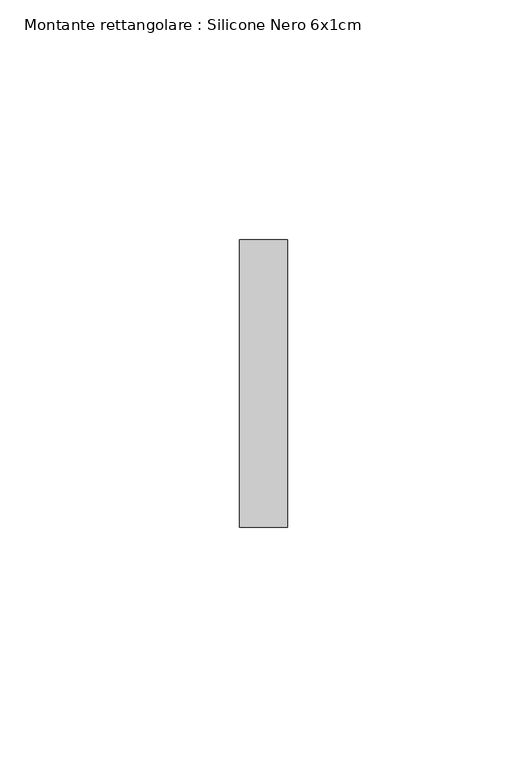
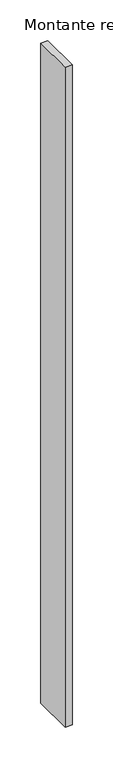
"""IFC4 building model written with IfcOpenShell, lengths in millimetres: member geometry, Montante rettangolare : Silicone Nero 6x1cm."""

from ifc_helpers import new_model, si_unit, frame, origin, place, context, project, spatial, polyline, outline, extrude, source, transform, mapped, element, save


def montante_rettangolare_silicone_nero_6x1cm_8a400313(model_context):
    return source(origin(), model_context, "Body", "SweptSolid", [
        extrude(outline(polyline([(5.0, 60.0), (5.0, 0.0), (-5.0, 0.0), (-5.0, 60.0), (5.0, 60.0)])), frame((0.0, 0.0, -990.0), z_axis=(0.0, 0.0, 1.0), x_axis=(1.0, 0.0, 0.0)), (0.0, 0.0, 1.0), 990.0),
    ])


if __name__ == "__main__":
    model = new_model("IFC4")
    model_context = context("Model", 3, world=origin())
    ifc_project = project(units=[si_unit("LENGTHUNIT", "METRE", prefix="MILLI")], contexts=[model_context])
    site = spatial("IfcSite", under=ifc_project)
    building = spatial("IfcBuilding", under=site)
    placement = place(None, origin())
    montante_rettangolare_silicone_nero_6x1cm_shape = montante_rettangolare_silicone_nero_6x1cm_8a400313(model_context)
    element("IfcMember", 1, ObjectType="Montante rettangolare : Silicone Nero 6x1cm", at=placement, inside=building, context=model_context, shape_type="MappedRepresentation", body=[
        mapped(montante_rettangolare_silicone_nero_6x1cm_shape, transform((0.0, 0.0, 0.0), x_axis=(1.0, 0.0, 0.0), y_axis=(0.0, 1.0, 0.0), z_axis=(0.0, 0.0, 1.0))),
    ])
    save(model, "model.ifc")
